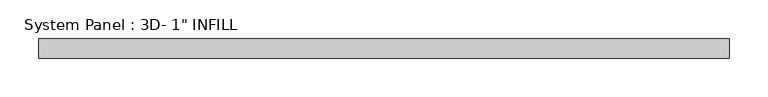
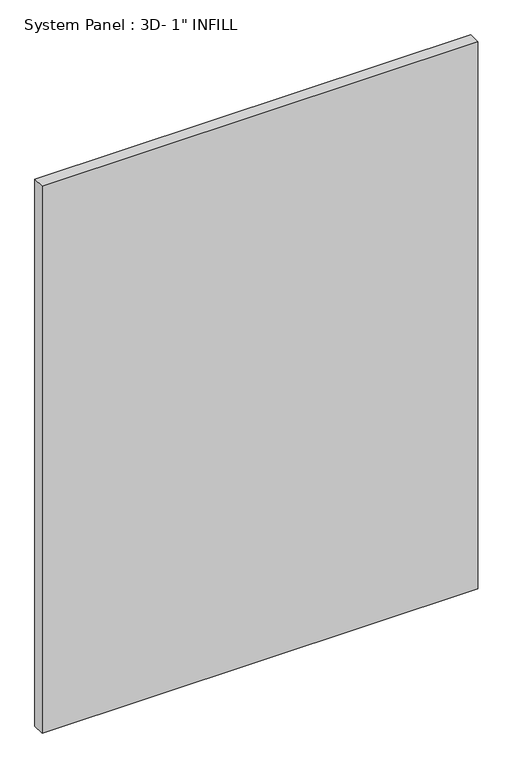
"""IFC4 building model written with IfcOpenShell, lengths in millimetres: plate geometry."""

import ifcopenshell
import ifcopenshell.guid

model = None  # the IFC model being written
_history = None  # IfcOwnerHistory: only IFC2X3 demands one
_inside = {}  # id of a spatial element -> (the spatial element, [elements in it])
_under = {}  # id of a project, library or spatial element -> (it, [spatial elements below it])
_declared = {}  # id of a project -> (the project, [libraries it declares])
_typed = {}  # id of a type object -> (the type object, [elements of that type])
_made_of = {}  # id of a material, layer set ... -> (it, [elements and type objects made of it])


def new_model(schema):
    """Start an empty IFC model of exactly this schema.

    Asked for "IFC4X3", IfcOpenShell would pick the latest addendum, in which some entities
    have other attributes; the version numbers below select the first issue.
    IFC2X3 requires an IfcOwnerHistory on every rooted entity: one is made here for all.
    """
    global model, _history
    if schema == "IFC4X3":
        model = ifcopenshell.file(schema_version=(4, 3, 0, 0))
    else:
        model = ifcopenshell.file(schema=schema)
    _inside.clear()
    _under.clear()
    _declared.clear()
    _typed.clear()
    _made_of.clear()
    _history = None
    if model.schema == "IFC2X3":
        org = make("IfcOrganization", Name="unknown")
        user = make(
            "IfcPersonAndOrganization",
            ThePerson=make("IfcPerson", FamilyName="unknown"),
            TheOrganization=org,
        )
        app = make(
            "IfcApplication",
            ApplicationDeveloper=org,
            Version="unknown",
            ApplicationFullName="unknown",
            ApplicationIdentifier="unknown",
        )
        _history = make(
            "IfcOwnerHistory",
            OwningUser=user,
            OwningApplication=app,
            ChangeAction="ADDED",
            CreationDate=0,
        )
    return model


def make(cls, **values):
    """One entity of the class cls with the attributes given. An attribute that is None is left unset."""
    return model.create_entity(
        cls, **{name: value for name, value in values.items() if value is not None}
    )


def rooted(cls, **values):
    """An entity with a GlobalId (a new one), such as an element, a storey or a relation."""
    return make(cls, GlobalId=ifcopenshell.guid.new(), OwnerHistory=_history, **values)


def si_unit(unit_type, name, prefix=None):
    """IfcSIUnit, for example si_unit("LENGTHUNIT", "METRE", prefix="MILLI")."""
    return make("IfcSIUnit", UnitType=unit_type, Prefix=prefix, Name=name)


def assignment(units):
    """IfcUnitAssignment: the units of a project."""
    return None if units is None else make("IfcUnitAssignment", Units=units)


def point(xyz):
    """IfcCartesianPoint."""
    return None if xyz is None else make("IfcCartesianPoint", Coordinates=xyz)


def direction(xyz):
    """IfcDirection."""
    return None if xyz is None else make("IfcDirection", DirectionRatios=xyz)


def frame(location, z_axis=None, x_axis=None):
    """IfcAxis2Placement3D, a coordinate frame: its origin and axes. An axis left out is left unset."""
    return make(
        "IfcAxis2Placement3D",
        Location=point(location),
        Axis=direction(z_axis),
        RefDirection=direction(x_axis),
    )


def origin():
    """The frame at (0, 0, 0) with its axes left unset."""
    return frame((0.0, 0.0, 0.0))


def origin_with_axes():
    """The frame at (0, 0, 0) with the z axis (0, 0, 1) and the x axis (1, 0, 0) written out."""
    return frame((0.0, 0.0, 0.0), z_axis=(0.0, 0.0, 1.0), x_axis=(1.0, 0.0, 0.0))


def place(relative_to, where):
    """IfcLocalPlacement: puts the frame where relative to a parent placement (None: the world)."""
    return make(
        "IfcLocalPlacement", PlacementRelTo=relative_to, RelativePlacement=where
    )


def context(
    kind, dimensions, precision=None, world=None, true_north=None, identifier=None
):
    """IfcGeometricRepresentationContext, for example the 3D "Model" context."""
    return make(
        "IfcGeometricRepresentationContext",
        ContextIdentifier=identifier,
        ContextType=kind,
        CoordinateSpaceDimension=dimensions,
        Precision=precision,
        WorldCoordinateSystem=world,
        TrueNorth=true_north,
    )


def project(units=None, contexts=None):
    """IfcProject with its units and contexts."""
    return rooted(
        "IfcProject",
        Name="project",
        RepresentationContexts=contexts,
        UnitsInContext=assignment(units),
    )


def spatial(cls, under=None, at=None, **own):
    """A site, building, storey or space (cls), placed at a placement, below another one or the project."""
    s = rooted(cls, ObjectPlacement=at, **own)
    if under is not None:
        _under.setdefault(under.id(), (under, []))[1].append(s)
    return s


def polyline(points):
    """IfcPolyline through the points."""
    return make("IfcPolyline", Points=[point(p) for p in points])


def outline(outer, holes=None, kind="AREA"):
    """IfcArbitraryClosedProfileDef: a profile drawn as a closed curve; with holes, ...WithVoids."""
    if holes is None:
        return make("IfcArbitraryClosedProfileDef", ProfileType=kind, OuterCurve=outer)
    return make(
        "IfcArbitraryProfileDefWithVoids",
        ProfileType=kind,
        OuterCurve=outer,
        InnerCurves=holes,
    )


def extrude(swept, where, along, depth):
    """IfcExtrudedAreaSolid: the profile swept, set in the frame where, extruded along a direction by depth."""
    return make(
        "IfcExtrudedAreaSolid",
        SweptArea=swept,
        Position=where,
        ExtrudedDirection=direction(along),
        Depth=depth,
    )


def shape(context_of_items, identifier, shape_type, items):
    """IfcShapeRepresentation: the items that make up one representation, for example the "Body"."""
    return make(
        "IfcShapeRepresentation",
        ContextOfItems=context_of_items,
        RepresentationIdentifier=identifier,
        RepresentationType=shape_type,
        Items=items,
    )


def source(mapping_origin, context_of_items, identifier, shape_type, items):
    """IfcRepresentationMap: a shape defined once, which mapped items show again and again."""
    return make(
        "IfcRepresentationMap",
        MappingOrigin=mapping_origin,
        MappedRepresentation=shape(context_of_items, identifier, shape_type, items),
    )


def transform(
    local_origin,
    x_axis=None,
    y_axis=None,
    z_axis=None,
    scale=None,
    scale2=None,
    scale3=None,
    uniform=True,
):
    """IfcCartesianTransformationOperator3D, or its non-uniform kind. x_axis, y_axis, z_axis: its Axis1, 2, 3."""
    if uniform:
        return make(
            "IfcCartesianTransformationOperator3D",
            Axis1=direction(x_axis),
            Axis2=direction(y_axis),
            LocalOrigin=point(local_origin),
            Scale=scale,
            Axis3=direction(z_axis),
        )
    return make(
        "IfcCartesianTransformationOperator3DnonUniform",
        Axis1=direction(x_axis),
        Axis2=direction(y_axis),
        LocalOrigin=point(local_origin),
        Scale=scale,
        Axis3=direction(z_axis),
        Scale2=scale2,
        Scale3=scale3,
    )


def mapped(mapping_source, mapping_target):
    """IfcMappedItem: shows the shape of a source again, moved by a transform."""
    return make(
        "IfcMappedItem", MappingSource=mapping_source, MappingTarget=mapping_target
    )


def made_of(thing, what):
    """Note that an element or type object is made of a material, layer set ...; save() writes the relation."""
    if what is not None:
        _made_of.setdefault(what.id(), (what, []))[1].append(thing)
    return thing


def element(
    cls,
    number,
    at=None,
    inside=None,
    cuts=None,
    type_object=None,
    material=None,
    context=None,
    identifier="Body",
    shape_type=None,
    held_by="IfcProductDefinitionShape",
    body=None,
    shapes=None,
    **own,
):
    """One element of the class cls, such as IfcWall. Its Tag is "e" and its number.

    at: its placement. inside: the storey or other place that contains it. cuts: it is an
    opening in that element (IfcRelVoidsElement). A single representation is given by context,
    identifier, shape_type and body (its items); several are given by shapes. held_by: the class
    of the entity that holds the representations. save() writes the other relations.
    """
    e = rooted(cls, Tag="e%d" % number, ObjectPlacement=at, **own)
    if body is not None:
        shapes = [shape(context, identifier, shape_type, body)]
    if shapes is not None:
        e.Representation = make(held_by, Representations=shapes)
    if inside is not None:
        _inside.setdefault(inside.id(), (inside, []))[1].append(e)
    if cuts is not None:
        rooted(
            "IfcRelVoidsElement", RelatingBuildingElement=cuts, RelatedOpeningElement=e
        )
    if type_object is not None:
        _typed.setdefault(type_object.id(), (type_object, []))[1].append(e)
    return made_of(e, material)


def aggregate(whole, parts):
    """IfcRelAggregates: a whole, such as a stair, and the parts it consists of."""
    return rooted("IfcRelAggregates", RelatingObject=whole, RelatedObjects=parts)


def save(model, path):
    """Write the relations noted so far, then the file.

    IfcRelAggregates (storeys below a building ...), IfcRelContainedInSpatialStructure (elements
    in a storey), IfcRelDefinesByType, IfcRelAssociatesMaterial and IfcRelDeclares: one each for
    every whole, place, type object, material and project.
    """
    for whole, parts in _under.values():
        aggregate(whole, parts)
    for where, things in _inside.values():
        rooted(
            "IfcRelContainedInSpatialStructure",
            RelatedElements=things,
            RelatingStructure=where,
        )
    for kind, things in _typed.values():
        rooted("IfcRelDefinesByType", RelatedObjects=things, RelatingType=kind)
    for what, things in _made_of.values():
        rooted("IfcRelAssociatesMaterial", RelatedObjects=things, RelatingMaterial=what)
    for by, libraries in _declared.values():
        rooted("IfcRelDeclares", RelatingContext=by, RelatedDefinitions=libraries)
    model.write(path)


def plate_2bceb012(model_context):
    return source(origin(), model_context, "Body", "SweptSolid", [
        extrude(outline(polyline([(448.2465, -5.4570312), (-448.2465, -5.4570312), (-448.2465, 19.9429688), (448.2465, 19.9429688), (448.2465, -5.4570312)])), origin_with_axes(), (0.0, 0.0, 1.0), 1188.7177347),
    ])


if __name__ == "__main__":
    model = new_model("IFC4")
    model_context = context("Model", 3, world=origin())
    ifc_project = project(units=[si_unit("LENGTHUNIT", "METRE", prefix="MILLI")], contexts=[model_context])
    site = spatial("IfcSite", under=ifc_project)
    building = spatial("IfcBuilding", under=site)
    placement = place(None, origin())
    plate_shape = plate_2bceb012(model_context)
    element("IfcPlate", 1, ObjectType="System Panel : 3D- 1\" INFILL", at=placement, inside=building, context=model_context, shape_type="MappedRepresentation", body=[
        mapped(plate_shape, transform((0.0, 0.0, 0.0), x_axis=(1.0, 0.0, 0.0), y_axis=(0.0, 1.0, 0.0), z_axis=(0.0, 0.0, 1.0))),
    ])
    save(model, "model.ifc")
